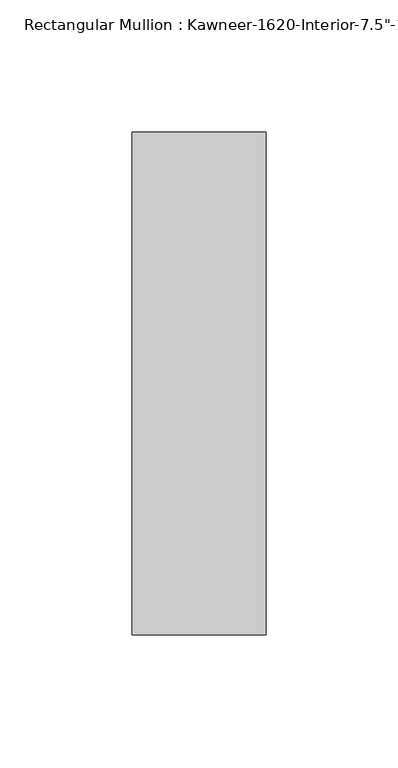
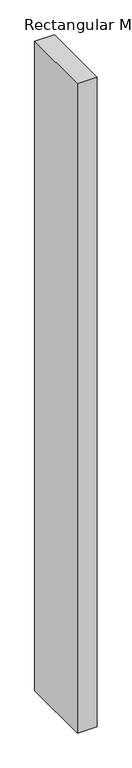
"""IFC4 building model written with IfcOpenShell, lengths in millimetres: member geometry."""

from ifc_helpers import new_model, si_unit, frame, origin, place, context, project, spatial, polyline, outline, extrude, source, transform, mapped, element, save


def member_852ec3f2(model_context):
    return source(origin(), model_context, "Body", "SweptSolid", [
        extrude(outline(polyline([(25.4, -152.4), (-25.4, -152.4), (-25.4, 38.1), (25.4, 38.1), (25.4, -152.4)])), frame((0.0, 0.0, -1765.3), z_axis=(0.0, 0.0, 1.0), x_axis=(1.0, 0.0, 0.0)), (0.0, 0.0, 1.0), 1765.3),
    ])


if __name__ == "__main__":
    model = new_model("IFC4")
    model_context = context("Model", 3, world=origin())
    ifc_project = project(units=[si_unit("LENGTHUNIT", "METRE", prefix="MILLI")], contexts=[model_context])
    site = spatial("IfcSite", under=ifc_project)
    building = spatial("IfcBuilding", under=site)
    placement = place(None, origin())
    member_shape = member_852ec3f2(model_context)
    element("IfcMember", 1, ObjectType="Rectangular Mullion : Kawneer-1620-Interior-7.5\"-1\"Infill", at=placement, inside=building, context=model_context, shape_type="MappedRepresentation", body=[
        mapped(member_shape, transform((0.0, 0.0, 0.0), x_axis=(1.0, 0.0, 0.0), y_axis=(0.0, 1.0, 0.0), z_axis=(0.0, 0.0, 1.0))),
    ])
    save(model, "model.ifc")
